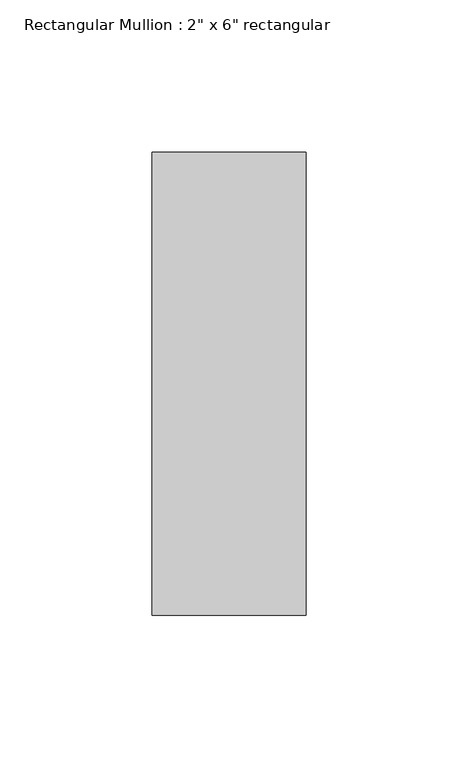
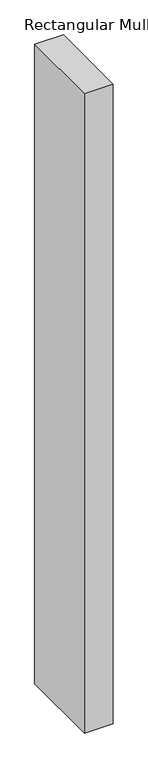
"""IFC4 building model written with IfcOpenShell, lengths in millimetres: member geometry."""

from ifc_helpers import new_model, si_unit, frame, origin, place, context, project, spatial, polyline, outline, extrude, source, transform, mapped, element, save


def member_7351be23(model_context):
    return source(origin(), model_context, "Body", "SweptSolid", [
        extrude(outline(polyline([(25.4, 76.2), (25.4, -76.2), (-25.4, -76.2), (-25.4, 76.2), (25.4, 76.2)])), frame((0.0, 0.0, -1193.8), z_axis=(0.0, 0.0, 1.0), x_axis=(1.0, 0.0, 0.0)), (0.0, 0.0, 1.0), 1193.8),
    ])


if __name__ == "__main__":
    model = new_model("IFC4")
    model_context = context("Model", 3, world=origin())
    ifc_project = project(units=[si_unit("LENGTHUNIT", "METRE", prefix="MILLI")], contexts=[model_context])
    site = spatial("IfcSite", under=ifc_project)
    building = spatial("IfcBuilding", under=site)
    placement = place(None, origin())
    member_shape = member_7351be23(model_context)
    element("IfcMember", 1, ObjectType="Rectangular Mullion : 2\" x 6\" rectangular", at=placement, inside=building, context=model_context, shape_type="MappedRepresentation", body=[
        mapped(member_shape, transform((0.0, 0.0, 0.0), x_axis=(1.0, 0.0, 0.0), y_axis=(0.0, 1.0, 0.0), z_axis=(0.0, 0.0, 1.0))),
    ])
    save(model, "model.ifc")
